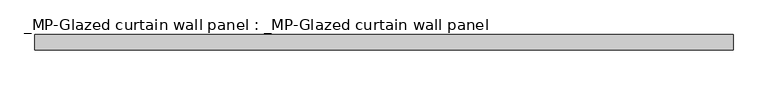
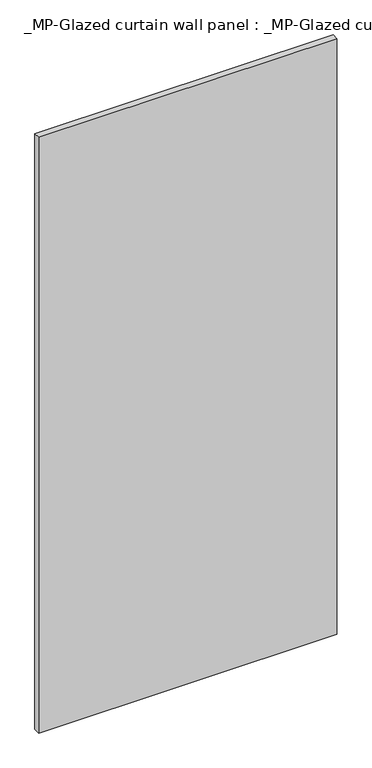
"""IFC4 building model written with IfcOpenShell, lengths in millimetres: plate geometry, _MP-Glazed curtain wall panel : _MP-Glazed curtain wall panel."""

import ifcopenshell
import ifcopenshell.guid

model = None  # the IFC model being written
_history = None  # IfcOwnerHistory: only IFC2X3 demands one
_inside = {}  # id of a spatial element -> (the spatial element, [elements in it])
_under = {}  # id of a project, library or spatial element -> (it, [spatial elements below it])
_declared = {}  # id of a project -> (the project, [libraries it declares])
_typed = {}  # id of a type object -> (the type object, [elements of that type])
_made_of = {}  # id of a material, layer set ... -> (it, [elements and type objects made of it])


def new_model(schema):
    """Start an empty IFC model of exactly this schema.

    Asked for "IFC4X3", IfcOpenShell would pick the latest addendum, in which some entities
    have other attributes; the version numbers below select the first issue.
    IFC2X3 requires an IfcOwnerHistory on every rooted entity: one is made here for all.
    """
    global model, _history
    if schema == "IFC4X3":
        model = ifcopenshell.file(schema_version=(4, 3, 0, 0))
    else:
        model = ifcopenshell.file(schema=schema)
    _inside.clear()
    _under.clear()
    _declared.clear()
    _typed.clear()
    _made_of.clear()
    _history = None
    if model.schema == "IFC2X3":
        org = make("IfcOrganization", Name="unknown")
        user = make(
            "IfcPersonAndOrganization",
            ThePerson=make("IfcPerson", FamilyName="unknown"),
            TheOrganization=org,
        )
        app = make(
            "IfcApplication",
            ApplicationDeveloper=org,
            Version="unknown",
            ApplicationFullName="unknown",
            ApplicationIdentifier="unknown",
        )
        _history = make(
            "IfcOwnerHistory",
            OwningUser=user,
            OwningApplication=app,
            ChangeAction="ADDED",
            CreationDate=0,
        )
    return model


def make(cls, **values):
    """One entity of the class cls with the attributes given. An attribute that is None is left unset."""
    return model.create_entity(
        cls, **{name: value for name, value in values.items() if value is not None}
    )


def rooted(cls, **values):
    """An entity with a GlobalId (a new one), such as an element, a storey or a relation."""
    return make(cls, GlobalId=ifcopenshell.guid.new(), OwnerHistory=_history, **values)


def si_unit(unit_type, name, prefix=None):
    """IfcSIUnit, for example si_unit("LENGTHUNIT", "METRE", prefix="MILLI")."""
    return make("IfcSIUnit", UnitType=unit_type, Prefix=prefix, Name=name)


def assignment(units):
    """IfcUnitAssignment: the units of a project."""
    return None if units is None else make("IfcUnitAssignment", Units=units)


def point(xyz):
    """IfcCartesianPoint."""
    return None if xyz is None else make("IfcCartesianPoint", Coordinates=xyz)


def direction(xyz):
    """IfcDirection."""
    return None if xyz is None else make("IfcDirection", DirectionRatios=xyz)


def frame(location, z_axis=None, x_axis=None):
    """IfcAxis2Placement3D, a coordinate frame: its origin and axes. An axis left out is left unset."""
    return make(
        "IfcAxis2Placement3D",
        Location=point(location),
        Axis=direction(z_axis),
        RefDirection=direction(x_axis),
    )


def origin():
    """The frame at (0, 0, 0) with its axes left unset."""
    return frame((0.0, 0.0, 0.0))


def place(relative_to, where):
    """IfcLocalPlacement: puts the frame where relative to a parent placement (None: the world)."""
    return make(
        "IfcLocalPlacement", PlacementRelTo=relative_to, RelativePlacement=where
    )


def context(
    kind, dimensions, precision=None, world=None, true_north=None, identifier=None
):
    """IfcGeometricRepresentationContext, for example the 3D "Model" context."""
    return make(
        "IfcGeometricRepresentationContext",
        ContextIdentifier=identifier,
        ContextType=kind,
        CoordinateSpaceDimension=dimensions,
        Precision=precision,
        WorldCoordinateSystem=world,
        TrueNorth=true_north,
    )


def project(units=None, contexts=None):
    """IfcProject with its units and contexts."""
    return rooted(
        "IfcProject",
        Name="project",
        RepresentationContexts=contexts,
        UnitsInContext=assignment(units),
    )


def spatial(cls, under=None, at=None, **own):
    """A site, building, storey or space (cls), placed at a placement, below another one or the project."""
    s = rooted(cls, ObjectPlacement=at, **own)
    if under is not None:
        _under.setdefault(under.id(), (under, []))[1].append(s)
    return s


def polyline(points):
    """IfcPolyline through the points."""
    return make("IfcPolyline", Points=[point(p) for p in points])


def outline(outer, holes=None, kind="AREA"):
    """IfcArbitraryClosedProfileDef: a profile drawn as a closed curve; with holes, ...WithVoids."""
    if holes is None:
        return make("IfcArbitraryClosedProfileDef", ProfileType=kind, OuterCurve=outer)
    return make(
        "IfcArbitraryProfileDefWithVoids",
        ProfileType=kind,
        OuterCurve=outer,
        InnerCurves=holes,
    )


def extrude(swept, where, along, depth):
    """IfcExtrudedAreaSolid: the profile swept, set in the frame where, extruded along a direction by depth."""
    return make(
        "IfcExtrudedAreaSolid",
        SweptArea=swept,
        Position=where,
        ExtrudedDirection=direction(along),
        Depth=depth,
    )


def shape(context_of_items, identifier, shape_type, items):
    """IfcShapeRepresentation: the items that make up one representation, for example the "Body"."""
    return make(
        "IfcShapeRepresentation",
        ContextOfItems=context_of_items,
        RepresentationIdentifier=identifier,
        RepresentationType=shape_type,
        Items=items,
    )


def source(mapping_origin, context_of_items, identifier, shape_type, items):
    """IfcRepresentationMap: a shape defined once, which mapped items show again and again."""
    return make(
        "IfcRepresentationMap",
        MappingOrigin=mapping_origin,
        MappedRepresentation=shape(context_of_items, identifier, shape_type, items),
    )


def transform(
    local_origin,
    x_axis=None,
    y_axis=None,
    z_axis=None,
    scale=None,
    scale2=None,
    scale3=None,
    uniform=True,
):
    """IfcCartesianTransformationOperator3D, or its non-uniform kind. x_axis, y_axis, z_axis: its Axis1, 2, 3."""
    if uniform:
        return make(
            "IfcCartesianTransformationOperator3D",
            Axis1=direction(x_axis),
            Axis2=direction(y_axis),
            LocalOrigin=point(local_origin),
            Scale=scale,
            Axis3=direction(z_axis),
        )
    return make(
        "IfcCartesianTransformationOperator3DnonUniform",
        Axis1=direction(x_axis),
        Axis2=direction(y_axis),
        LocalOrigin=point(local_origin),
        Scale=scale,
        Axis3=direction(z_axis),
        Scale2=scale2,
        Scale3=scale3,
    )


def mapped(mapping_source, mapping_target):
    """IfcMappedItem: shows the shape of a source again, moved by a transform."""
    return make(
        "IfcMappedItem", MappingSource=mapping_source, MappingTarget=mapping_target
    )


def made_of(thing, what):
    """Note that an element or type object is made of a material, layer set ...; save() writes the relation."""
    if what is not None:
        _made_of.setdefault(what.id(), (what, []))[1].append(thing)
    return thing


def element(
    cls,
    number,
    at=None,
    inside=None,
    cuts=None,
    type_object=None,
    material=None,
    context=None,
    identifier="Body",
    shape_type=None,
    held_by="IfcProductDefinitionShape",
    body=None,
    shapes=None,
    **own,
):
    """One element of the class cls, such as IfcWall. Its Tag is "e" and its number.

    at: its placement. inside: the storey or other place that contains it. cuts: it is an
    opening in that element (IfcRelVoidsElement). A single representation is given by context,
    identifier, shape_type and body (its items); several are given by shapes. held_by: the class
    of the entity that holds the representations. save() writes the other relations.
    """
    e = rooted(cls, Tag="e%d" % number, ObjectPlacement=at, **own)
    if body is not None:
        shapes = [shape(context, identifier, shape_type, body)]
    if shapes is not None:
        e.Representation = make(held_by, Representations=shapes)
    if inside is not None:
        _inside.setdefault(inside.id(), (inside, []))[1].append(e)
    if cuts is not None:
        rooted(
            "IfcRelVoidsElement", RelatingBuildingElement=cuts, RelatedOpeningElement=e
        )
    if type_object is not None:
        _typed.setdefault(type_object.id(), (type_object, []))[1].append(e)
    return made_of(e, material)


def aggregate(whole, parts):
    """IfcRelAggregates: a whole, such as a stair, and the parts it consists of."""
    return rooted("IfcRelAggregates", RelatingObject=whole, RelatedObjects=parts)


def save(model, path):
    """Write the relations noted so far, then the file.

    IfcRelAggregates (storeys below a building ...), IfcRelContainedInSpatialStructure (elements
    in a storey), IfcRelDefinesByType, IfcRelAssociatesMaterial and IfcRelDeclares: one each for
    every whole, place, type object, material and project.
    """
    for whole, parts in _under.values():
        aggregate(whole, parts)
    for where, things in _inside.values():
        rooted(
            "IfcRelContainedInSpatialStructure",
            RelatedElements=things,
            RelatingStructure=where,
        )
    for kind, things in _typed.values():
        rooted("IfcRelDefinesByType", RelatedObjects=things, RelatingType=kind)
    for what, things in _made_of.values():
        rooted("IfcRelAssociatesMaterial", RelatedObjects=things, RelatingMaterial=what)
    for by, libraries in _declared.values():
        rooted("IfcRelDeclares", RelatingContext=by, RelatedDefinitions=libraries)
    model.write(path)


def mp_glazed_curtain_wall_panel_mp_glazed_curtain_wall_panel_8256cee4(model_context):
    return source(origin(), model_context, "Body", "SweptSolid", [
        extrude(outline(polyline([(684.0, 30.0), (-684.0, 30.0), (-684.0, 60.0), (684.0, 60.0), (684.0, 30.0)])), frame((0.0, 0.0, -14.0), z_axis=(0.0, 0.0, 1.0), x_axis=(1.0, 0.0, 0.0)), (0.0, 0.0, 1.0), 2888.0),
    ])


if __name__ == "__main__":
    model = new_model("IFC4")
    model_context = context("Model", 3, world=origin())
    ifc_project = project(units=[si_unit("LENGTHUNIT", "METRE", prefix="MILLI")], contexts=[model_context])
    site = spatial("IfcSite", under=ifc_project)
    building = spatial("IfcBuilding", under=site)
    placement = place(None, origin())
    mp_glazed_curtain_wall_panel_mp_glazed_curtain_wall_panel_shape = mp_glazed_curtain_wall_panel_mp_glazed_curtain_wall_panel_8256cee4(model_context)
    element("IfcPlate", 1, ObjectType="_MP-Glazed curtain wall panel : _MP-Glazed curtain wall panel", at=placement, inside=building, context=model_context, shape_type="MappedRepresentation", body=[
        mapped(mp_glazed_curtain_wall_panel_mp_glazed_curtain_wall_panel_shape, transform((0.0, 0.0, 0.0), x_axis=(1.0, 0.0, 0.0), y_axis=(0.0, 1.0, 0.0), z_axis=(0.0, 0.0, 1.0))),
    ])
    save(model, "model.ifc")
